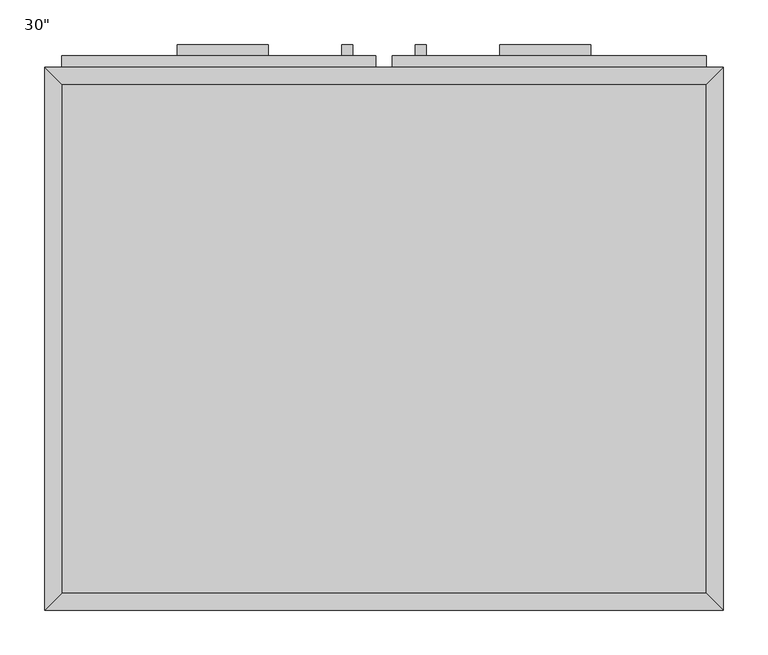
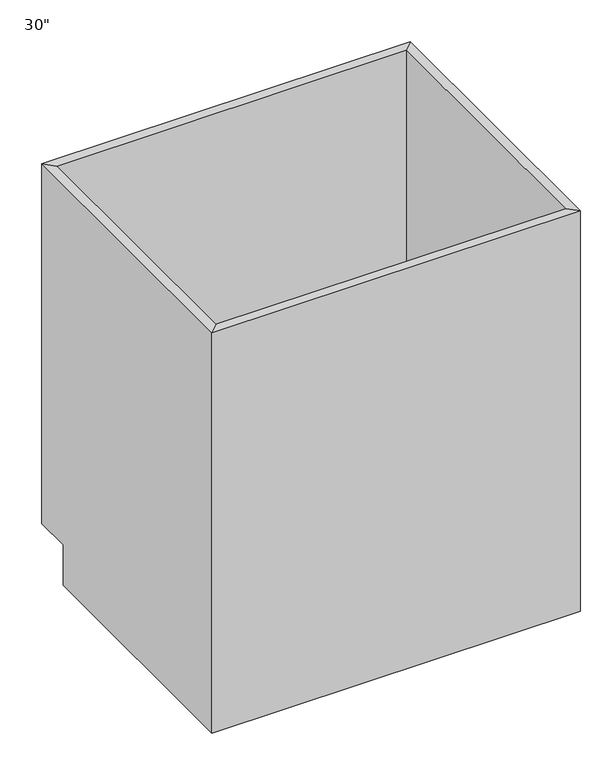
"""IFC4 building model written with IfcOpenShell, lengths in millimetres: furniture geometry."""

from ifc_helpers import new_model, si_unit, frame, origin, place, context, project, spatial, polyline, outline, extrude, faceted_brep, source, transform, mapped, element, save


def furniture_81c1c4d7(model_context):
    return source(origin(), model_context, "Body", "SolidModel", [
        faceted_brep([(380.6877049, 590.55, 876.3), (-343.2122951, 590.55, 876.3), (-343.2122951, 590.55, 88.9), (380.6877049, 590.55, 88.9), (399.7377049, 609.6, 876.3), (-362.2622951, 609.6, 876.3), (399.7377049, 609.6, 88.9), (-362.2622951, 609.6, 88.9), (-343.2122951, 19.05, 876.3), (-343.2122951, 19.05, 88.9), (-343.2122951, 533.4, 88.9), (-362.2622951, 0.0, 876.3), (-362.2622951, 533.4, 88.9), (-362.2622951, 533.4, 0.0), (-362.2622951, 0.0, 0.0), (380.6877049, 19.05, 876.3), (380.6877049, 19.05, 88.9), (399.7377049, 0.0, 876.3), (399.7377049, 0.0, 0.0), (380.6877049, 533.4, 88.9), (399.7377049, 533.4, 0.0), (399.7377049, 533.4, 88.9)], [[[0, 1, 2, 3]], [[0, 4, 5, 1]], [[4, 6, 7, 5]], [[2, 7, 6, 3]], [[1, 8, 9, 10, 2]], [[5, 11, 8, 1]], [[7, 12, 13, 14, 11, 5]], [[2, 10, 12, 7]], [[8, 15, 16, 9]], [[11, 17, 15, 8]], [[14, 18, 17, 11]], [[3, 19, 16, 15, 0]], [[0, 15, 17, 4]], [[4, 17, 18, 20, 21, 6]], [[6, 21, 19, 3]], [[10, 9, 16, 19]], [[18, 14, 13, 20]], [[13, 12, 10, 19, 21, 20]]]),
        extrude(outline(polyline([(-111.4372951, 635.0), (-111.4372951, 622.3), (-213.0372951, 622.3), (-213.0372951, 635.0), (-111.4372951, 635.0)])), frame((0.0, 0.0, 819.15), z_axis=(0.0, 0.0, 1.0), x_axis=(1.0, 0.0, 0.0)), (0.0, 0.0, 1.0), 12.7),
        extrude(outline(polyline([(250.5127049, 635.0), (250.5127049, 622.3), (148.9127049, 622.3), (148.9127049, 635.0), (250.5127049, 635.0)])), frame((0.0, 0.0, 819.15), z_axis=(0.0, 0.0, 1.0), x_axis=(1.0, 0.0, 0.0)), (0.0, 0.0, 1.0), 12.7),
        extrude(outline(polyline([(-16.1872951, 635.0), (-16.1872951, 622.3), (-28.8872951, 622.3), (-28.8872951, 635.0), (-16.1872951, 635.0)])), frame((0.0, 0.0, 596.9), z_axis=(0.0, 0.0, 1.0), x_axis=(1.0, 0.0, 0.0)), (0.0, 0.0, 1.0), 101.6),
        extrude(outline(polyline([(66.3627049, 635.0), (66.3627049, 622.3), (53.6627049, 622.3), (53.6627049, 635.0), (66.3627049, 635.0)])), frame((0.0, 0.0, 596.9), z_axis=(0.0, 0.0, 1.0), x_axis=(1.0, 0.0, 0.0)), (0.0, 0.0, 1.0), 101.6),
        extrude(outline(polyline([(380.6877049, 19.05), (-343.2122951, 19.05), (-343.2122951, 590.55), (380.6877049, 590.55), (380.6877049, 19.05)])), frame((0.0, 0.0, 88.9), z_axis=(0.0, 0.0, 1.0), x_axis=(1.0, 0.0, 0.0)), (0.0, 0.0, 1.0), 19.05),
        extrude(outline(polyline([(9.2127049, 622.3), (9.2127049, 609.6), (-343.2122951, 609.6), (-343.2122951, 622.3), (9.2127049, 622.3)])), frame((0.0, 0.0, 755.65), z_axis=(0.0, 0.0, 1.0), x_axis=(1.0, 0.0, 0.0)), (0.0, 0.0, 1.0), 101.6),
        extrude(outline(polyline([(380.6877049, 622.3), (380.6877049, 609.6), (28.2627049, 609.6), (28.2627049, 622.3), (380.6877049, 622.3)])), frame((0.0, 0.0, 755.65), z_axis=(0.0, 0.0, 1.0), x_axis=(1.0, 0.0, 0.0)), (0.0, 0.0, 1.0), 101.6),
        extrude(outline(polyline([(9.2127049, 622.3), (9.2127049, 609.6), (-343.2122951, 609.6), (-343.2122951, 622.3), (9.2127049, 622.3)])), frame((0.0, 0.0, 107.95), z_axis=(0.0, 0.0, 1.0), x_axis=(1.0, 0.0, 0.0)), (0.0, 0.0, 1.0), 628.65),
        extrude(outline(polyline([(380.6877049, 622.3), (380.6877049, 609.6), (28.2627049, 609.6), (28.2627049, 622.3), (380.6877049, 622.3)])), frame((0.0, 0.0, 107.95), z_axis=(0.0, 0.0, 1.0), x_axis=(1.0, 0.0, 0.0)), (0.0, 0.0, 1.0), 628.65),
    ])


if __name__ == "__main__":
    model = new_model("IFC4")
    model_context = context("Model", 3, world=origin())
    ifc_project = project(units=[si_unit("LENGTHUNIT", "METRE", prefix="MILLI")], contexts=[model_context])
    site = spatial("IfcSite", under=ifc_project)
    building = spatial("IfcBuilding", under=site)
    placement = place(None, origin())
    furniture_shape = furniture_81c1c4d7(model_context)
    element("IfcFurniture", 1, ObjectType="30\"", at=placement, inside=building, context=model_context, shape_type="MappedRepresentation", body=[
        mapped(furniture_shape, transform((0.0, 0.0, 0.0), x_axis=(1.0, 0.0, 0.0), y_axis=(0.0, 1.0, 0.0), z_axis=(0.0, 0.0, 1.0))),
    ])
    save(model, "model.ifc")
